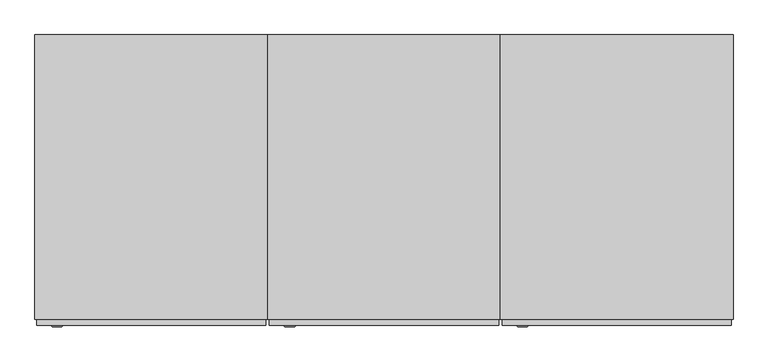
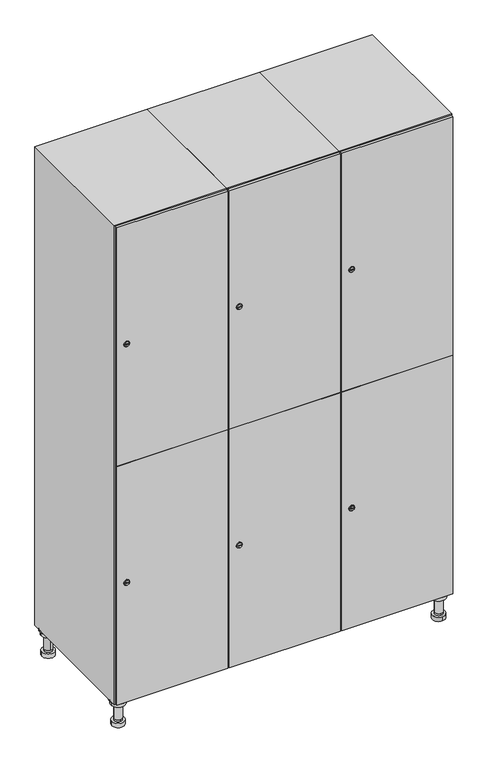
"""IFC4 building model written with IfcOpenShell, lengths in millimetres: furniture geometry."""

from ifc_helpers import new_model, si_unit, point, frame, frame_2d, origin, place, context, project, spatial, polyline, circle_curve, trimmed, segment, composite_curve, outline, extrude, faceted_brep, source, transform, mapped, element, save
from ifc_brep_helpers import plane_surface, cylinder_surface, revolved_surface, advanced_brep


def furniture_8d0bc17a(model_context):
    return source(origin(), model_context, "Body", "SolidModel", [
        advanced_brep(
        [(970.0, -201.0, 22.0), (970.0, -201.5, 16.0), (970.0, -228.5, 16.0), (970.0, -229.0, 22.0), (956.0, -215.0, 22.0), (984.0, -215.0, 22.0), (970.0, -192.5, 16.0), (970.0, -237.5, 16.0), (970.0, -192.5, 0.0), (970.0, -237.5, 0.0), (984.0, -215.0, 78.0), (956.0, -215.0, 78.0), (995.0, -215.0, 78.0), (945.0, -215.0, 78.0), (1000.0, -215.0, 94.0), (940.0, -215.0, 94.0), (945.0, -215.0, 94.0), (995.0, -215.0, 94.0), (1000.0, -215.0, 100.0), (940.0, -215.0, 100.0)],
        [
            (0, 1),
            (1, 2, circle_curve(frame((970.0, -215.0, 16.0), z_axis=(0.0, 0.0, 1.0), x_axis=(0.0, -1.0, 0.0)), 13.5)),
            (2, 3),
            (3, 4, circle_curve(frame((970.0, -215.0, 22.0), z_axis=(0.0, 0.0, -1.0), x_axis=(0.0, -1.0, 0.0)), 14.0)),
            (4, 0, circle_curve(frame((970.0, -215.0, 22.0), z_axis=(0.0, 0.0, -1.0), x_axis=(0.0, -1.0, 0.0)), 14.0)),
            (0, 5, circle_curve(frame((970.0, -215.0, 22.0), z_axis=(0.0, 0.0, -1.0), x_axis=(0.0, 1.0, 0.0)), 14.0)),
            (5, 3, circle_curve(frame((970.0, -215.0, 22.0), z_axis=(0.0, 0.0, -1.0), x_axis=(0.0, 1.0, 0.0)), 14.0)),
            (2, 1, circle_curve(frame((970.0, -215.0, 16.0), z_axis=(0.0, 0.0, 1.0), x_axis=(0.0, 1.0, 0.0)), 13.5)),
            (6, 7, circle_curve(frame((970.0, -215.0, 16.0), z_axis=(0.0, 0.0, 1.0), x_axis=(0.0, -1.0, 0.0)), 22.5)),
            (7, 6, circle_curve(frame((970.0, -215.0, 16.0), z_axis=(0.0, 0.0, 1.0), x_axis=(0.0, -1.0, 0.0)), 22.5)),
            (8, 9, circle_curve(frame((970.0, -215.0, 0.0), z_axis=(0.0, 0.0, -1.0), x_axis=(0.0, -1.0, 0.0)), 22.5)),
            (9, 8, circle_curve(frame((970.0, -215.0, 0.0), z_axis=(0.0, 0.0, -1.0), x_axis=(0.0, -1.0, 0.0)), 22.5)),
            (6, 8),
            (9, 7),
            (5, 10),
            (10, 11, circle_curve(frame((970.0, -215.0, 78.0), z_axis=(0.0, 0.0, -1.0), x_axis=(-1.0, 0.0, 0.0)), 14.0)),
            (11, 4),
            (11, 10, circle_curve(frame((970.0, -215.0, 78.0), z_axis=(0.0, 0.0, -1.0), x_axis=(-1.0, 0.0, 0.0)), 14.0)),
            (12, 13, circle_curve(frame((970.0, -215.0, 78.0), z_axis=(0.0, 0.0, -1.0), x_axis=(-1.0, 0.0, 0.0)), 25.0)),
            (13, 12, circle_curve(frame((970.0, -215.0, 78.0), z_axis=(0.0, 0.0, -1.0), x_axis=(-1.0, 0.0, 0.0)), 25.0)),
            (14, 15, circle_curve(frame((970.0, -215.0, 94.0), z_axis=(0.0, 0.0, -1.0), x_axis=(-1.0, 0.0, 0.0)), 30.0)),
            (15, 14, circle_curve(frame((970.0, -215.0, 94.0), z_axis=(0.0, 0.0, -1.0), x_axis=(-1.0, 0.0, 0.0)), 30.0)),
            (16, 17, circle_curve(frame((970.0, -215.0, 94.0), z_axis=(0.0, 0.0, 1.0), x_axis=(-1.0, 0.0, 0.0)), 25.0)),
            (17, 16, circle_curve(frame((970.0, -215.0, 94.0), z_axis=(0.0, 0.0, 1.0), x_axis=(-1.0, 0.0, 0.0)), 25.0)),
            (18, 19, circle_curve(frame((970.0, -215.0, 100.0), z_axis=(0.0, 0.0, 1.0), x_axis=(-1.0, 0.0, 0.0)), 30.0)),
            (19, 18, circle_curve(frame((970.0, -215.0, 100.0), z_axis=(0.0, 0.0, 1.0), x_axis=(-1.0, 0.0, 0.0)), 30.0)),
            (14, 18),
            (19, 15),
            (12, 17),
            (16, 13),
        ],
        [
            revolved_surface(polyline([(970.0, -201.5, 16.0), (970.0, -201.0, 22.0)]), (970.0, -215.0, -146.0), (0.0, 0.0, 1.0)),
            plane_surface(frame((970.0, 0.0, 16.0), z_axis=(0.0, 0.0, 1.0), x_axis=(0.0, -1.0, 0.0))),
            plane_surface(frame((970.0, 0.0, 0.0), z_axis=(0.0, 0.0, -1.0), x_axis=(0.0, -1.0, 0.0))),
            cylinder_surface(frame((970.0, -215.0, 16.0), z_axis=(0.0, 0.0, 1.0), x_axis=(0.0, -1.0, 0.0)), 22.5),
            cylinder_surface(frame((970.0, -215.0, 22.0), z_axis=(0.0, 0.0, -1.0), x_axis=(-1.0, 0.0, 0.0)), 14.0),
            plane_surface(frame((970.0, 0.0, 78.0), z_axis=(0.0, 0.0, -1.0), x_axis=(0.0, -1.0, 0.0))),
            plane_surface(frame((970.0, 0.0, 94.0), z_axis=(0.0, 0.0, -1.0), x_axis=(0.0, -1.0, 0.0))),
            plane_surface(frame((970.0, 0.0, 100.0), z_axis=(0.0, 0.0, 1.0), x_axis=(0.0, -1.0, 0.0))),
            cylinder_surface(frame((970.0, -215.0, 94.0), z_axis=(0.0, 0.0, -1.0), x_axis=(-1.0, 0.0, 0.0)), 30.0),
            cylinder_surface(frame((970.0, -215.0, 78.0), z_axis=(0.0, 0.0, -1.0), x_axis=(-1.0, 0.0, 0.0)), 25.0),
        ],
        [
            (0, [[1, 2, 3, 4, 5]]),
            (0, [[-1, 6, 7, -3, 8]]),
            (1, [[9, 10], [-2, -8]]),
            (2, [[11, 12]]),
            (3, [[-9, 13, -12, 14]]),
            (3, [[-10, -14, -11, -13]]),
            (4, [[15, 16, 17, -4, -7]]),
            (4, [[-15, -6, -5, -17, 18]]),
            (5, [[19, 20], [-16, -18]]),
            (6, [[21, 22], [23, 24]]),
            (7, [[25, 26]]),
            (8, [[-21, 27, -26, 28]]),
            (8, [[-22, -28, -25, -27]]),
            (9, [[-19, 29, -23, 30]]),
            (9, [[-20, -30, -24, -29]]),
        ],
    ),
        advanced_brep(
        [(-170.0, -201.0, 22.0), (-170.0, -201.5, 16.0), (-170.0, -228.5, 16.0), (-170.0, -229.0, 22.0), (-184.0, -215.0, 22.0), (-156.0, -215.0, 22.0), (-147.5, -215.0, 0.0), (-192.5, -215.0, 0.0), (-147.5, -215.0, 16.0), (-192.5, -215.0, 16.0), (-156.0, -215.0, 78.0), (-184.0, -215.0, 78.0), (-145.0, -215.0, 78.0), (-195.0, -215.0, 78.0), (-140.0, -215.0, 94.0), (-200.0, -215.0, 94.0), (-195.0, -215.0, 94.0), (-145.0, -215.0, 94.0), (-140.0, -215.0, 100.0), (-200.0, -215.0, 100.0)],
        [
            (0, 1),
            (1, 2, circle_curve(frame((-170.0, -215.0, 16.0), z_axis=(0.0, 0.0, 1.0), x_axis=(0.0, -1.0, 0.0)), 13.5)),
            (2, 3),
            (3, 4, circle_curve(frame((-170.0, -215.0, 22.0), z_axis=(0.0, 0.0, -1.0), x_axis=(0.0, -1.0, 0.0)), 14.0)),
            (4, 0, circle_curve(frame((-170.0, -215.0, 22.0), z_axis=(0.0, 0.0, -1.0), x_axis=(0.0, -1.0, 0.0)), 14.0)),
            (0, 5, circle_curve(frame((-170.0, -215.0, 22.0), z_axis=(0.0, 0.0, -1.0), x_axis=(0.0, 1.0, 0.0)), 14.0)),
            (5, 3, circle_curve(frame((-170.0, -215.0, 22.0), z_axis=(0.0, 0.0, -1.0), x_axis=(0.0, 1.0, 0.0)), 14.0)),
            (2, 1, circle_curve(frame((-170.0, -215.0, 16.0), z_axis=(0.0, 0.0, 1.0), x_axis=(0.0, 1.0, 0.0)), 13.5)),
            (6, 7, circle_curve(frame((-170.0, -215.0, 0.0), z_axis=(0.0, 0.0, -1.0), x_axis=(-1.0, 0.0, 0.0)), 22.5)),
            (7, 6, circle_curve(frame((-170.0, -215.0, 0.0), z_axis=(0.0, 0.0, -1.0), x_axis=(-1.0, 0.0, 0.0)), 22.5)),
            (8, 9, circle_curve(frame((-170.0, -215.0, 16.0), z_axis=(0.0, 0.0, 1.0), x_axis=(-1.0, 0.0, 0.0)), 22.5)),
            (9, 8, circle_curve(frame((-170.0, -215.0, 16.0), z_axis=(0.0, 0.0, 1.0), x_axis=(-1.0, 0.0, 0.0)), 22.5)),
            (6, 8),
            (9, 7),
            (5, 10),
            (10, 11, circle_curve(frame((-170.0, -215.0, 78.0), z_axis=(0.0, 0.0, -1.0), x_axis=(-1.0, 0.0, 0.0)), 14.0)),
            (11, 4),
            (11, 10, circle_curve(frame((-170.0, -215.0, 78.0), z_axis=(0.0, 0.0, -1.0), x_axis=(-1.0, 0.0, 0.0)), 14.0)),
            (12, 13, circle_curve(frame((-170.0, -215.0, 78.0), z_axis=(0.0, 0.0, -1.0), x_axis=(-1.0, 0.0, 0.0)), 25.0)),
            (13, 12, circle_curve(frame((-170.0, -215.0, 78.0), z_axis=(0.0, 0.0, -1.0), x_axis=(-1.0, 0.0, 0.0)), 25.0)),
            (14, 15, circle_curve(frame((-170.0, -215.0, 94.0), z_axis=(0.0, 0.0, -1.0), x_axis=(-1.0, 0.0, 0.0)), 30.0)),
            (15, 14, circle_curve(frame((-170.0, -215.0, 94.0), z_axis=(0.0, 0.0, -1.0), x_axis=(-1.0, 0.0, 0.0)), 30.0)),
            (16, 17, circle_curve(frame((-170.0, -215.0, 94.0), z_axis=(0.0, 0.0, 1.0), x_axis=(-1.0, 0.0, 0.0)), 25.0)),
            (17, 16, circle_curve(frame((-170.0, -215.0, 94.0), z_axis=(0.0, 0.0, 1.0), x_axis=(-1.0, 0.0, 0.0)), 25.0)),
            (18, 19, circle_curve(frame((-170.0, -215.0, 100.0), z_axis=(0.0, 0.0, 1.0), x_axis=(-1.0, 0.0, 0.0)), 30.0)),
            (19, 18, circle_curve(frame((-170.0, -215.0, 100.0), z_axis=(0.0, 0.0, 1.0), x_axis=(-1.0, 0.0, 0.0)), 30.0)),
            (14, 18),
            (19, 15),
            (12, 17),
            (16, 13),
        ],
        [
            revolved_surface(polyline([(-170.0, -201.5, 16.0), (-170.0, -201.0, 22.0)]), (-170.0, -215.0, -146.0), (0.0, 0.0, 1.0)),
            plane_surface(frame((-170.0, 0.0, 0.0), z_axis=(0.0, 0.0, -1.0), x_axis=(0.0, -1.0, 0.0))),
            plane_surface(frame((-170.0, 0.0, 16.0), z_axis=(0.0, 0.0, 1.0), x_axis=(0.0, -1.0, 0.0))),
            cylinder_surface(frame((-170.0, -215.0, 0.0), z_axis=(0.0, 0.0, -1.0), x_axis=(-1.0, 0.0, 0.0)), 22.5),
            cylinder_surface(frame((-170.0, -215.0, 22.0), z_axis=(0.0, 0.0, -1.0), x_axis=(-1.0, 0.0, 0.0)), 14.0),
            plane_surface(frame((-170.0, 0.0, 78.0), z_axis=(0.0, 0.0, -1.0), x_axis=(0.0, -1.0, 0.0))),
            plane_surface(frame((-170.0, 0.0, 94.0), z_axis=(0.0, 0.0, -1.0), x_axis=(0.0, -1.0, 0.0))),
            plane_surface(frame((-170.0, 0.0, 100.0), z_axis=(0.0, 0.0, 1.0), x_axis=(0.0, -1.0, 0.0))),
            cylinder_surface(frame((-170.0, -215.0, 94.0), z_axis=(0.0, 0.0, -1.0), x_axis=(-1.0, 0.0, 0.0)), 30.0),
            cylinder_surface(frame((-170.0, -215.0, 78.0), z_axis=(0.0, 0.0, -1.0), x_axis=(-1.0, 0.0, 0.0)), 25.0),
        ],
        [
            (0, [[1, 2, 3, 4, 5]]),
            (0, [[-1, 6, 7, -3, 8]]),
            (1, [[9, 10]]),
            (2, [[11, 12], [-2, -8]]),
            (3, [[-9, 13, -12, 14]]),
            (3, [[-10, -14, -11, -13]]),
            (4, [[15, 16, 17, -4, -7]]),
            (4, [[-15, -6, -5, -17, 18]]),
            (5, [[19, 20], [-16, -18]]),
            (6, [[21, 22], [23, 24]]),
            (7, [[25, 26]]),
            (8, [[-21, 27, -26, 28]]),
            (8, [[-22, -28, -25, -27]]),
            (9, [[-19, 29, -23, 30]]),
            (9, [[-20, -30, -24, -29]]),
        ],
    ),
        advanced_brep(
        [(983.5, 215.0, 16.0), (984.0, 215.0, 22.0), (956.0, 215.0, 22.0), (956.5, 215.0, 16.0), (992.5, 215.0, 0.0), (947.5, 215.0, 0.0), (992.5, 215.0, 16.0), (947.5, 215.0, 16.0), (984.0, 215.0, 78.0), (956.0, 215.0, 78.0), (995.0, 215.0, 78.0), (945.0, 215.0, 78.0), (1000.0, 215.0, 94.0), (940.0, 215.0, 94.0), (945.0, 215.0, 94.0), (995.0, 215.0, 94.0), (1000.0, 215.0, 100.0), (940.0, 215.0, 100.0)],
        [
            (0, 1),
            (1, 2, circle_curve(frame((970.0, 215.0, 22.0), z_axis=(0.0, 0.0, -1.0), x_axis=(-1.0, 0.0, 0.0)), 14.0)),
            (2, 3),
            (3, 0, circle_curve(frame((970.0, 215.0, 16.0), z_axis=(0.0, 0.0, 1.0), x_axis=(-1.0, 0.0, 0.0)), 13.5)),
            (0, 3, circle_curve(frame((970.0, 215.0, 16.0), z_axis=(0.0, 0.0, 1.0), x_axis=(1.0, 0.0, 0.0)), 13.5)),
            (2, 1, circle_curve(frame((970.0, 215.0, 22.0), z_axis=(0.0, 0.0, -1.0), x_axis=(1.0, 0.0, 0.0)), 14.0)),
            (4, 5, circle_curve(frame((970.0, 215.0, 0.0), z_axis=(0.0, 0.0, -1.0), x_axis=(-1.0, 0.0, 0.0)), 22.5)),
            (5, 4, circle_curve(frame((970.0, 215.0, 0.0), z_axis=(0.0, 0.0, -1.0), x_axis=(-1.0, 0.0, 0.0)), 22.5)),
            (6, 7, circle_curve(frame((970.0, 215.0, 16.0), z_axis=(0.0, 0.0, 1.0), x_axis=(-1.0, 0.0, 0.0)), 22.5)),
            (7, 6, circle_curve(frame((970.0, 215.0, 16.0), z_axis=(0.0, 0.0, 1.0), x_axis=(-1.0, 0.0, 0.0)), 22.5)),
            (4, 6),
            (7, 5),
            (1, 8),
            (8, 9, circle_curve(frame((970.0, 215.0, 78.0), z_axis=(0.0, 0.0, -1.0), x_axis=(-1.0, 0.0, 0.0)), 14.0)),
            (9, 2),
            (9, 8, circle_curve(frame((970.0, 215.0, 78.0), z_axis=(0.0, 0.0, -1.0), x_axis=(-1.0, 0.0, 0.0)), 14.0)),
            (10, 11, circle_curve(frame((970.0, 215.0, 78.0), z_axis=(0.0, 0.0, -1.0), x_axis=(-1.0, 0.0, 0.0)), 25.0)),
            (11, 10, circle_curve(frame((970.0, 215.0, 78.0), z_axis=(0.0, 0.0, -1.0), x_axis=(-1.0, 0.0, 0.0)), 25.0)),
            (12, 13, circle_curve(frame((970.0, 215.0, 94.0), z_axis=(0.0, 0.0, -1.0), x_axis=(-1.0, 0.0, 0.0)), 30.0)),
            (13, 12, circle_curve(frame((970.0, 215.0, 94.0), z_axis=(0.0, 0.0, -1.0), x_axis=(-1.0, 0.0, 0.0)), 30.0)),
            (14, 15, circle_curve(frame((970.0, 215.0, 94.0), z_axis=(0.0, 0.0, 1.0), x_axis=(-1.0, 0.0, 0.0)), 25.0)),
            (15, 14, circle_curve(frame((970.0, 215.0, 94.0), z_axis=(0.0, 0.0, 1.0), x_axis=(-1.0, 0.0, 0.0)), 25.0)),
            (16, 17, circle_curve(frame((970.0, 215.0, 100.0), z_axis=(0.0, 0.0, 1.0), x_axis=(-1.0, 0.0, 0.0)), 30.0)),
            (17, 16, circle_curve(frame((970.0, 215.0, 100.0), z_axis=(0.0, 0.0, 1.0), x_axis=(-1.0, 0.0, 0.0)), 30.0)),
            (12, 16),
            (17, 13),
            (10, 15),
            (14, 11),
        ],
        [
            revolved_surface(polyline([(983.5, 215.0, 16.0), (984.0, 215.0, 22.0)]), (970.0, 215.0, -146.0), (0.0, 0.0, 1.0)),
            plane_surface(frame((970.0, 0.0, 0.0), z_axis=(0.0, 0.0, -1.0), x_axis=(0.0, -1.0, 0.0))),
            plane_surface(frame((970.0, 0.0, 16.0), z_axis=(0.0, 0.0, 1.0), x_axis=(0.0, -1.0, 0.0))),
            cylinder_surface(frame((970.0, 215.0, 0.0), z_axis=(0.0, 0.0, -1.0), x_axis=(-1.0, 0.0, 0.0)), 22.5),
            cylinder_surface(frame((970.0, 215.0, 22.0), z_axis=(0.0, 0.0, -1.0), x_axis=(-1.0, 0.0, 0.0)), 14.0),
            plane_surface(frame((970.0, 0.0, 78.0), z_axis=(0.0, 0.0, -1.0), x_axis=(0.0, -1.0, 0.0))),
            plane_surface(frame((970.0, 0.0, 94.0), z_axis=(0.0, 0.0, -1.0), x_axis=(0.0, -1.0, 0.0))),
            plane_surface(frame((970.0, 0.0, 100.0), z_axis=(0.0, 0.0, 1.0), x_axis=(0.0, -1.0, 0.0))),
            cylinder_surface(frame((970.0, 215.0, 94.0), z_axis=(0.0, 0.0, -1.0), x_axis=(-1.0, 0.0, 0.0)), 30.0),
            cylinder_surface(frame((970.0, 215.0, 78.0), z_axis=(0.0, 0.0, -1.0), x_axis=(-1.0, 0.0, 0.0)), 25.0),
        ],
        [
            (0, [[1, 2, 3, 4]]),
            (0, [[-1, 5, -3, 6]]),
            (1, [[7, 8]]),
            (2, [[9, 10], [-4, -5]]),
            (3, [[-7, 11, -10, 12]]),
            (3, [[-8, -12, -9, -11]]),
            (4, [[13, 14, 15, -2]]),
            (4, [[-13, -6, -15, 16]]),
            (5, [[17, 18], [-14, -16]]),
            (6, [[19, 20], [21, 22]]),
            (7, [[23, 24]]),
            (8, [[-19, 25, -24, 26]]),
            (8, [[-20, -26, -23, -25]]),
            (9, [[-17, 27, -21, 28]]),
            (9, [[-18, -28, -22, -27]]),
        ],
    ),
        advanced_brep(
        [(-156.5, 215.0, 16.0), (-156.0, 215.0, 22.0), (-170.0, 201.0, 22.0), (-184.0, 215.0, 22.0), (-183.5, 215.0, 16.0), (-170.0, 229.0, 22.0), (-147.5, 215.0, 0.0), (-192.5, 215.0, 0.0), (-147.5, 215.0, 16.0), (-192.5, 215.0, 16.0), (-170.0, 229.0, 78.0), (-170.0, 201.0, 78.0), (-145.0, 215.0, 78.0), (-195.0, 215.0, 78.0), (-140.0, 215.0, 94.0), (-200.0, 215.0, 94.0), (-195.0, 215.0, 94.0), (-145.0, 215.0, 94.0), (-140.0, 215.0, 100.0), (-200.0, 215.0, 100.0)],
        [
            (0, 1),
            (1, 2, circle_curve(frame((-170.0, 215.0, 22.0), z_axis=(0.0, 0.0, -1.0), x_axis=(-1.0, 0.0, 0.0)), 14.0)),
            (2, 3, circle_curve(frame((-170.0, 215.0, 22.0), z_axis=(0.0, 0.0, -1.0), x_axis=(-1.0, 0.0, 0.0)), 14.0)),
            (3, 4),
            (4, 0, circle_curve(frame((-170.0, 215.0, 16.0), z_axis=(0.0, 0.0, 1.0), x_axis=(-1.0, 0.0, 0.0)), 13.5)),
            (0, 4, circle_curve(frame((-170.0, 215.0, 16.0), z_axis=(0.0, 0.0, 1.0), x_axis=(1.0, 0.0, 0.0)), 13.5)),
            (3, 5, circle_curve(frame((-170.0, 215.0, 22.0), z_axis=(0.0, 0.0, -1.0), x_axis=(1.0, 0.0, 0.0)), 14.0)),
            (5, 1, circle_curve(frame((-170.0, 215.0, 22.0), z_axis=(0.0, 0.0, -1.0), x_axis=(1.0, 0.0, 0.0)), 14.0)),
            (6, 7, circle_curve(frame((-170.0, 215.0, 0.0), z_axis=(0.0, 0.0, -1.0), x_axis=(-1.0, 0.0, 0.0)), 22.5)),
            (7, 6, circle_curve(frame((-170.0, 215.0, 0.0), z_axis=(0.0, 0.0, -1.0), x_axis=(-1.0, 0.0, 0.0)), 22.5)),
            (8, 9, circle_curve(frame((-170.0, 215.0, 16.0), z_axis=(0.0, 0.0, 1.0), x_axis=(-1.0, 0.0, 0.0)), 22.5)),
            (9, 8, circle_curve(frame((-170.0, 215.0, 16.0), z_axis=(0.0, 0.0, 1.0), x_axis=(-1.0, 0.0, 0.0)), 22.5)),
            (6, 8),
            (9, 7),
            (10, 5),
            (2, 11),
            (11, 10, circle_curve(frame((-170.0, 215.0, 78.0), z_axis=(0.0, 0.0, -1.0), x_axis=(0.0, -1.0, 0.0)), 14.0)),
            (10, 11, circle_curve(frame((-170.0, 215.0, 78.0), z_axis=(0.0, 0.0, -1.0), x_axis=(0.0, -1.0, 0.0)), 14.0)),
            (12, 13, circle_curve(frame((-170.0, 215.0, 78.0), z_axis=(0.0, 0.0, -1.0), x_axis=(-1.0, 0.0, 0.0)), 25.0)),
            (13, 12, circle_curve(frame((-170.0, 215.0, 78.0), z_axis=(0.0, 0.0, -1.0), x_axis=(-1.0, 0.0, 0.0)), 25.0)),
            (14, 15, circle_curve(frame((-170.0, 215.0, 94.0), z_axis=(0.0, 0.0, -1.0), x_axis=(-1.0, 0.0, 0.0)), 30.0)),
            (15, 14, circle_curve(frame((-170.0, 215.0, 94.0), z_axis=(0.0, 0.0, -1.0), x_axis=(-1.0, 0.0, 0.0)), 30.0)),
            (16, 17, circle_curve(frame((-170.0, 215.0, 94.0), z_axis=(0.0, 0.0, 1.0), x_axis=(-1.0, 0.0, 0.0)), 25.0)),
            (17, 16, circle_curve(frame((-170.0, 215.0, 94.0), z_axis=(0.0, 0.0, 1.0), x_axis=(-1.0, 0.0, 0.0)), 25.0)),
            (18, 19, circle_curve(frame((-170.0, 215.0, 100.0), z_axis=(0.0, 0.0, 1.0), x_axis=(-1.0, 0.0, 0.0)), 30.0)),
            (19, 18, circle_curve(frame((-170.0, 215.0, 100.0), z_axis=(0.0, 0.0, 1.0), x_axis=(-1.0, 0.0, 0.0)), 30.0)),
            (14, 18),
            (19, 15),
            (12, 17),
            (16, 13),
        ],
        [
            revolved_surface(polyline([(-156.5, 215.0, 16.0), (-156.0, 215.0, 22.0)]), (-170.0, 215.0, -146.0), (0.0, 0.0, 1.0)),
            plane_surface(frame((-170.0, 0.0, 0.0), z_axis=(0.0, 0.0, -1.0), x_axis=(0.0, -1.0, 0.0))),
            plane_surface(frame((-170.0, 0.0, 16.0), z_axis=(0.0, 0.0, 1.0), x_axis=(0.0, -1.0, 0.0))),
            cylinder_surface(frame((-170.0, 215.0, 0.0), z_axis=(0.0, 0.0, -1.0), x_axis=(-1.0, 0.0, 0.0)), 22.5),
            cylinder_surface(frame((-170.0, 215.0, 78.0), z_axis=(0.0, 0.0, 1.0), x_axis=(0.0, -1.0, 0.0)), 14.0),
            plane_surface(frame((-170.0, 0.0, 78.0), z_axis=(0.0, 0.0, -1.0), x_axis=(0.0, -1.0, 0.0))),
            plane_surface(frame((-170.0, 0.0, 94.0), z_axis=(0.0, 0.0, -1.0), x_axis=(0.0, -1.0, 0.0))),
            plane_surface(frame((-170.0, 0.0, 100.0), z_axis=(0.0, 0.0, 1.0), x_axis=(0.0, -1.0, 0.0))),
            cylinder_surface(frame((-170.0, 215.0, 94.0), z_axis=(0.0, 0.0, -1.0), x_axis=(-1.0, 0.0, 0.0)), 30.0),
            cylinder_surface(frame((-170.0, 215.0, 78.0), z_axis=(0.0, 0.0, -1.0), x_axis=(-1.0, 0.0, 0.0)), 25.0),
        ],
        [
            (0, [[1, 2, 3, 4, 5]]),
            (0, [[-1, 6, -4, 7, 8]]),
            (1, [[9, 10]]),
            (2, [[11, 12], [-5, -6]]),
            (3, [[-9, 13, -12, 14]]),
            (3, [[-10, -14, -11, -13]]),
            (4, [[15, -7, -3, 16, 17]]),
            (4, [[-15, 18, -16, -2, -8]]),
            (5, [[19, 20], [-17, -18]]),
            (6, [[21, 22], [23, 24]]),
            (7, [[25, 26]]),
            (8, [[-21, 27, -26, 28]]),
            (8, [[-22, -28, -25, -27]]),
            (9, [[-19, 29, -23, 30]]),
            (9, [[-20, -30, -24, -29]]),
        ],
    ),
        extrude(outline(composite_curve([segment(trimmed(circle_curve(frame_2d((551.5, 611.2010534)), 7.0), [point((558.5, 611.2010534))], [point((544.5, 611.2010534))], False, "CARTESIAN"), True, "CONTINUOUS"), segment(polyline([(544.5, 611.2010534), (544.5, 639.2010534)]), True, "CONTINUOUS"), segment(trimmed(circle_curve(frame_2d((551.5, 639.2010534)), 7.0), [point((544.5, 639.2010534))], [point((558.5, 639.2010534))], False, "CARTESIAN"), True, "CONTINUOUS"), segment(polyline([(558.5, 639.2010534), (558.5, 611.2010534)]), True, "CONTINUOUS")], self_intersect=False)), frame((0.0, -245.0, 0.0), z_axis=(0.0, 1.0, 0.0), x_axis=(0.0, 0.0, 1.0)), (0.0, 0.0, 1.0), 2.0),
        advanced_brep(
        [(646.5, -257.2, 551.5), (629.5, -257.2, 551.5), (633.0, -257.2, 550.25), (633.0, -257.2, 552.75), (643.0, -257.2, 552.75), (643.0, -257.2, 550.25), (648.5, -255.0, 551.5), (627.5, -255.0, 551.5), (633.0, -255.0, 552.75), (633.0, -255.0, 550.25), (643.0, -255.0, 550.25), (643.0, -255.0, 552.75)],
        [
            (0, 1, circle_curve(frame((638.0, -257.2, 551.5), z_axis=(0.0, -1.0, 0.0), x_axis=(1.0, 0.0, 0.0)), 8.5)),
            (1, 0, circle_curve(frame((638.0, -257.2, 551.5), z_axis=(0.0, -1.0, 0.0), x_axis=(-1.0, 0.0, 0.0)), 8.5)),
            (2, 3),
            (3, 4),
            (4, 5),
            (5, 2),
            (6, 7, circle_curve(frame((638.0, -255.0, 551.5), z_axis=(0.0, 1.0, 0.0), x_axis=(-1.0, 0.0, 0.0)), 10.5)),
            (7, 6, circle_curve(frame((638.0, -255.0, 551.5), z_axis=(0.0, 1.0, 0.0), x_axis=(1.0, 0.0, 0.0)), 10.5)),
            (8, 9),
            (9, 10),
            (10, 11),
            (11, 8),
            (0, 6),
            (7, 1),
            (8, 3),
            (2, 9),
            (11, 4),
            (10, 5),
        ],
        [
            plane_surface(frame((638.0, -257.2, 551.5), z_axis=(0.0, -1.0, 0.0), x_axis=(0.0, 0.0, 1.0))),
            plane_surface(frame((638.0, -255.0, 551.5), z_axis=(0.0, 1.0, 0.0), x_axis=(0.0, 0.0, 1.0))),
            revolved_surface(polyline([(646.5, -257.2, 551.5), (648.5, -255.0, 551.5)]), (638.0, -266.55, 551.5), (0.0, 1.0, 0.0)),
            revolved_surface(polyline([(629.5, -257.2, 551.5), (627.5, -255.0, 551.5)]), (638.0, -266.55, 551.5), (0.0, 1.0, 0.0)),
            plane_surface(frame((633.0, -255.0, 550.25), z_axis=(1.0, 0.0, 0.0), x_axis=(0.0, -1.0, 0.0))),
            plane_surface(frame((633.0, -255.0, 552.75), z_axis=(0.0, 0.0, -1.0), x_axis=(0.0, -1.0, 0.0))),
            plane_surface(frame((643.0, -255.0, 552.75), z_axis=(-1.0, 0.0, 0.0), x_axis=(0.0, -1.0, 0.0))),
            plane_surface(frame((643.0, -255.0, 550.25), z_axis=(0.0, 0.0, 1.0), x_axis=(0.0, -1.0, 0.0))),
        ],
        [
            (0, [[1, 2], [3, 4, 5, 6]]),
            (1, [[7, 8], [9, 10, 11, 12]]),
            (2, [[-1, 13, -8, 14]]),
            (3, [[-2, -14, -7, -13]]),
            (4, [[15, -3, 16, -9]]),
            (5, [[-15, -12, 17, -4]]),
            (6, [[-17, -11, 18, -5]]),
            (7, [[-16, -6, -18, -10]]),
        ],
    ),
        extrude(outline(composite_curve([segment(trimmed(circle_curve(frame_2d((1448.5, 611.2010534)), 7.0), [point((1455.5, 611.2010534))], [point((1441.5, 611.2010534))], False, "CARTESIAN"), True, "CONTINUOUS"), segment(polyline([(1441.5, 611.2010534), (1441.5, 639.2010534)]), True, "CONTINUOUS"), segment(trimmed(circle_curve(frame_2d((1448.5, 639.2010534)), 7.0), [point((1441.5, 639.2010534))], [point((1455.5, 639.2010534))], False, "CARTESIAN"), True, "CONTINUOUS"), segment(polyline([(1455.5, 639.2010534), (1455.5, 611.2010534)]), True, "CONTINUOUS")], self_intersect=False)), frame((0.0, -245.0, 0.0), z_axis=(0.0, 1.0, 0.0), x_axis=(0.0, 0.0, 1.0)), (0.0, 0.0, 1.0), 2.0),
        advanced_brep(
        [(646.5, -257.2, 1448.5), (629.5, -257.2, 1448.5), (633.0, -257.2, 1447.25), (633.0, -257.2, 1449.75), (643.0, -257.2, 1449.75), (643.0, -257.2, 1447.25), (648.5, -255.0, 1448.5), (627.5, -255.0, 1448.5), (633.0, -255.0, 1449.75), (633.0, -255.0, 1447.25), (643.0, -255.0, 1447.25), (643.0, -255.0, 1449.75)],
        [
            (0, 1, circle_curve(frame((638.0, -257.2, 1448.5), z_axis=(0.0, -1.0, 0.0), x_axis=(1.0, 0.0, 0.0)), 8.5)),
            (1, 0, circle_curve(frame((638.0, -257.2, 1448.5), z_axis=(0.0, -1.0, 0.0), x_axis=(-1.0, 0.0, 0.0)), 8.5)),
            (2, 3),
            (3, 4),
            (4, 5),
            (5, 2),
            (6, 7, circle_curve(frame((638.0, -255.0, 1448.5), z_axis=(0.0, 1.0, 0.0), x_axis=(-1.0, 0.0, 0.0)), 10.5)),
            (7, 6, circle_curve(frame((638.0, -255.0, 1448.5), z_axis=(0.0, 1.0, 0.0), x_axis=(1.0, 0.0, 0.0)), 10.5)),
            (8, 9),
            (9, 10),
            (10, 11),
            (11, 8),
            (0, 6),
            (7, 1),
            (8, 3),
            (2, 9),
            (11, 4),
            (10, 5),
        ],
        [
            plane_surface(frame((638.0, -257.2, 1448.5), z_axis=(0.0, -1.0, 0.0), x_axis=(0.0, 0.0, 1.0))),
            plane_surface(frame((638.0, -255.0, 1448.5), z_axis=(0.0, 1.0, 0.0), x_axis=(0.0, 0.0, 1.0))),
            revolved_surface(polyline([(646.5, -257.2, 1448.5), (648.5, -255.0, 1448.5)]), (638.0, -266.55, 1448.5), (0.0, 1.0, 0.0)),
            revolved_surface(polyline([(629.5, -257.2, 1448.5), (627.5, -255.0, 1448.5)]), (638.0, -266.55, 1448.5), (0.0, 1.0, 0.0)),
            plane_surface(frame((633.0, -255.0, 1447.25), z_axis=(1.0, 0.0, 0.0), x_axis=(0.0, -1.0, 0.0))),
            plane_surface(frame((633.0, -255.0, 1449.75), z_axis=(0.0, 0.0, -1.0), x_axis=(0.0, -1.0, 0.0))),
            plane_surface(frame((643.0, -255.0, 1449.75), z_axis=(-1.0, 0.0, 0.0), x_axis=(0.0, -1.0, 0.0))),
            plane_surface(frame((643.0, -255.0, 1447.25), z_axis=(0.0, 0.0, 1.0), x_axis=(0.0, -1.0, 0.0))),
        ],
        [
            (0, [[1, 2], [3, 4, 5, 6]]),
            (1, [[7, 8], [9, 10, 11, 12]]),
            (2, [[-1, 13, -8, 14]]),
            (3, [[-2, -14, -7, -13]]),
            (4, [[15, -3, 16, -9]]),
            (5, [[-15, -12, 17, -4]]),
            (6, [[-17, -11, 18, -5]]),
            (7, [[-16, -6, -18, -10]]),
        ],
    ),
        extrude(outline(polyline([(603.0, -255.0), (603.0, -245.0), (997.0, -245.0), (997.0, -255.0), (603.0, -255.0)])), frame((0.0, 0.0, 103.0), z_axis=(0.0, 0.0, 1.0), x_axis=(1.0, 0.0, 0.0)), (0.0, 0.0, 1.0), 896.5),
        extrude(outline(polyline([(997.0, -245.0), (997.0, -255.0), (603.0, -255.0), (603.0, -245.0), (997.0, -245.0)])), frame((0.0, 0.0, 1000.5), z_axis=(0.0, 0.0, 1.0), x_axis=(1.0, 0.0, 0.0)), (0.0, 0.0, 1.0), 896.5),
        extrude(outline(polyline([(990.0, 241.0), (990.0, -235.0), (610.0, -235.0), (610.0, 241.0), (990.0, 241.0)])), frame((0.0, 0.0, 995.0), z_axis=(0.0, 0.0, 1.0), x_axis=(1.0, 0.0, 0.0)), (0.0, 0.0, 1.0), 10.0),
        faceted_brep([(1000.0, -245.0, 100.0), (1000.0, -245.0, 1900.0), (600.0, -245.0, 1900.0), (600.0, -245.0, 100.0), (990.0, -245.0, 1890.0), (990.0, -245.0, 110.0), (610.0, -245.0, 110.0), (610.0, -245.0, 1890.0), (1000.0, 245.0, 100.0), (600.0, 245.0, 100.0), (1000.0, 245.0, 1900.0), (600.0, 245.0, 1900.0), (990.0, 241.0, 1890.0), (990.0, 241.0, 110.0), (600.0, 245.0, 1890.0), (610.0, 241.0, 1890.0), (610.0, 241.0, 110.0)], [[[0, 1, 2, 3], [4, 5, 6, 7]], [[8, 0, 3, 9]], [[1, 0, 8, 10]], [[1, 10, 11, 2]], [[4, 12, 13, 5]], [[9, 3, 2, 11, 14]], [[10, 8, 9, 14, 11]], [[12, 15, 16, 13]], [[15, 7, 6, 16]], [[4, 7, 15, 12]], [[6, 5, 13, 16]]]),
        extrude(outline(composite_curve([segment(trimmed(circle_curve(frame_2d((551.5, 211.2010534)), 7.0), [point((558.5, 211.2010534))], [point((544.5, 211.2010534))], False, "CARTESIAN"), True, "CONTINUOUS"), segment(polyline([(544.5, 211.2010534), (544.5, 239.2010534)]), True, "CONTINUOUS"), segment(trimmed(circle_curve(frame_2d((551.5, 239.2010534)), 7.0), [point((544.5, 239.2010534))], [point((558.5, 239.2010534))], False, "CARTESIAN"), True, "CONTINUOUS"), segment(polyline([(558.5, 239.2010534), (558.5, 211.2010534)]), True, "CONTINUOUS")], self_intersect=False)), frame((0.0, -245.0, 0.0), z_axis=(0.0, 1.0, 0.0), x_axis=(0.0, 0.0, 1.0)), (0.0, 0.0, 1.0), 2.0),
        advanced_brep(
        [(246.5, -257.2, 551.5), (229.5, -257.2, 551.5), (233.0, -257.2, 550.25), (233.0, -257.2, 552.75), (243.0, -257.2, 552.75), (243.0, -257.2, 550.25), (248.5, -255.0, 551.5), (227.5, -255.0, 551.5), (233.0, -255.0, 552.75), (233.0, -255.0, 550.25), (243.0, -255.0, 550.25), (243.0, -255.0, 552.75)],
        [
            (0, 1, circle_curve(frame((238.0, -257.2, 551.5), z_axis=(0.0, -1.0, 0.0), x_axis=(1.0, 0.0, 0.0)), 8.5)),
            (1, 0, circle_curve(frame((238.0, -257.2, 551.5), z_axis=(0.0, -1.0, 0.0), x_axis=(-1.0, 0.0, 0.0)), 8.5)),
            (2, 3),
            (3, 4),
            (4, 5),
            (5, 2),
            (6, 7, circle_curve(frame((238.0, -255.0, 551.5), z_axis=(0.0, 1.0, 0.0), x_axis=(-1.0, 0.0, 0.0)), 10.5)),
            (7, 6, circle_curve(frame((238.0, -255.0, 551.5), z_axis=(0.0, 1.0, 0.0), x_axis=(1.0, 0.0, 0.0)), 10.5)),
            (8, 9),
            (9, 10),
            (10, 11),
            (11, 8),
            (0, 6),
            (7, 1),
            (8, 3),
            (2, 9),
            (11, 4),
            (10, 5),
        ],
        [
            plane_surface(frame((238.0, -257.2, 551.5), z_axis=(0.0, -1.0, 0.0), x_axis=(0.0, 0.0, 1.0))),
            plane_surface(frame((238.0, -255.0, 551.5), z_axis=(0.0, 1.0, 0.0), x_axis=(0.0, 0.0, 1.0))),
            revolved_surface(polyline([(246.5, -257.2, 551.5), (248.5, -255.0, 551.5)]), (238.0, -266.55, 551.5), (0.0, 1.0, 0.0)),
            revolved_surface(polyline([(229.5, -257.2, 551.5), (227.5, -255.0, 551.5)]), (238.0, -266.55, 551.5), (0.0, 1.0, 0.0)),
            plane_surface(frame((233.0, -255.0, 550.25), z_axis=(1.0, 0.0, 0.0), x_axis=(0.0, -1.0, 0.0))),
            plane_surface(frame((233.0, -255.0, 552.75), z_axis=(0.0, 0.0, -1.0), x_axis=(0.0, -1.0, 0.0))),
            plane_surface(frame((243.0, -255.0, 552.75), z_axis=(-1.0, 0.0, 0.0), x_axis=(0.0, -1.0, 0.0))),
            plane_surface(frame((243.0, -255.0, 550.25), z_axis=(0.0, 0.0, 1.0), x_axis=(0.0, -1.0, 0.0))),
        ],
        [
            (0, [[1, 2], [3, 4, 5, 6]]),
            (1, [[7, 8], [9, 10, 11, 12]]),
            (2, [[-1, 13, -8, 14]]),
            (3, [[-2, -14, -7, -13]]),
            (4, [[15, -3, 16, -9]]),
            (5, [[-15, -12, 17, -4]]),
            (6, [[-17, -11, 18, -5]]),
            (7, [[-16, -6, -18, -10]]),
        ],
    ),
        extrude(outline(composite_curve([segment(trimmed(circle_curve(frame_2d((1448.5, 211.2010534)), 7.0), [point((1455.5, 211.2010534))], [point((1441.5, 211.2010534))], False, "CARTESIAN"), True, "CONTINUOUS"), segment(polyline([(1441.5, 211.2010534), (1441.5, 239.2010534)]), True, "CONTINUOUS"), segment(trimmed(circle_curve(frame_2d((1448.5, 239.2010534)), 7.0), [point((1441.5, 239.2010534))], [point((1455.5, 239.2010534))], False, "CARTESIAN"), True, "CONTINUOUS"), segment(polyline([(1455.5, 239.2010534), (1455.5, 211.2010534)]), True, "CONTINUOUS")], self_intersect=False)), frame((0.0, -245.0, 0.0), z_axis=(0.0, 1.0, 0.0), x_axis=(0.0, 0.0, 1.0)), (0.0, 0.0, 1.0), 2.0),
        advanced_brep(
        [(246.5, -257.2, 1448.5), (229.5, -257.2, 1448.5), (233.0, -257.2, 1447.25), (233.0, -257.2, 1449.75), (243.0, -257.2, 1449.75), (243.0, -257.2, 1447.25), (248.5, -255.0, 1448.5), (227.5, -255.0, 1448.5), (233.0, -255.0, 1449.75), (233.0, -255.0, 1447.25), (243.0, -255.0, 1447.25), (243.0, -255.0, 1449.75)],
        [
            (0, 1, circle_curve(frame((238.0, -257.2, 1448.5), z_axis=(0.0, -1.0, 0.0), x_axis=(1.0, 0.0, 0.0)), 8.5)),
            (1, 0, circle_curve(frame((238.0, -257.2, 1448.5), z_axis=(0.0, -1.0, 0.0), x_axis=(-1.0, 0.0, 0.0)), 8.5)),
            (2, 3),
            (3, 4),
            (4, 5),
            (5, 2),
            (6, 7, circle_curve(frame((238.0, -255.0, 1448.5), z_axis=(0.0, 1.0, 0.0), x_axis=(-1.0, 0.0, 0.0)), 10.5)),
            (7, 6, circle_curve(frame((238.0, -255.0, 1448.5), z_axis=(0.0, 1.0, 0.0), x_axis=(1.0, 0.0, 0.0)), 10.5)),
            (8, 9),
            (9, 10),
            (10, 11),
            (11, 8),
            (0, 6),
            (7, 1),
            (8, 3),
            (2, 9),
            (11, 4),
            (10, 5),
        ],
        [
            plane_surface(frame((238.0, -257.2, 1448.5), z_axis=(0.0, -1.0, 0.0), x_axis=(0.0, 0.0, 1.0))),
            plane_surface(frame((238.0, -255.0, 1448.5), z_axis=(0.0, 1.0, 0.0), x_axis=(0.0, 0.0, 1.0))),
            revolved_surface(polyline([(246.5, -257.2, 1448.5), (248.5, -255.0, 1448.5)]), (238.0, -266.55, 1448.5), (0.0, 1.0, 0.0)),
            revolved_surface(polyline([(229.5, -257.2, 1448.5), (227.5, -255.0, 1448.5)]), (238.0, -266.55, 1448.5), (0.0, 1.0, 0.0)),
            plane_surface(frame((233.0, -255.0, 1447.25), z_axis=(1.0, 0.0, 0.0), x_axis=(0.0, -1.0, 0.0))),
            plane_surface(frame((233.0, -255.0, 1449.75), z_axis=(0.0, 0.0, -1.0), x_axis=(0.0, -1.0, 0.0))),
            plane_surface(frame((243.0, -255.0, 1449.75), z_axis=(-1.0, 0.0, 0.0), x_axis=(0.0, -1.0, 0.0))),
            plane_surface(frame((243.0, -255.0, 1447.25), z_axis=(0.0, 0.0, 1.0), x_axis=(0.0, -1.0, 0.0))),
        ],
        [
            (0, [[1, 2], [3, 4, 5, 6]]),
            (1, [[7, 8], [9, 10, 11, 12]]),
            (2, [[-1, 13, -8, 14]]),
            (3, [[-2, -14, -7, -13]]),
            (4, [[15, -3, 16, -9]]),
            (5, [[-15, -12, 17, -4]]),
            (6, [[-17, -11, 18, -5]]),
            (7, [[-16, -6, -18, -10]]),
        ],
    ),
        extrude(outline(polyline([(203.0, -255.0), (203.0, -245.0), (597.0, -245.0), (597.0, -255.0), (203.0, -255.0)])), frame((0.0, 0.0, 103.0), z_axis=(0.0, 0.0, 1.0), x_axis=(1.0, 0.0, 0.0)), (0.0, 0.0, 1.0), 896.5),
        extrude(outline(polyline([(597.0, -245.0), (597.0, -255.0), (203.0, -255.0), (203.0, -245.0), (597.0, -245.0)])), frame((0.0, 0.0, 1000.5), z_axis=(0.0, 0.0, 1.0), x_axis=(1.0, 0.0, 0.0)), (0.0, 0.0, 1.0), 896.5),
        extrude(outline(polyline([(590.0, 241.0), (590.0, -235.0), (210.0, -235.0), (210.0, 241.0), (590.0, 241.0)])), frame((0.0, 0.0, 995.0), z_axis=(0.0, 0.0, 1.0), x_axis=(1.0, 0.0, 0.0)), (0.0, 0.0, 1.0), 10.0),
        faceted_brep([(600.0, -245.0, 100.0), (600.0, -245.0, 1900.0), (200.0, -245.0, 1900.0), (200.0, -245.0, 100.0), (590.0, -245.0, 1890.0), (590.0, -245.0, 110.0), (210.0, -245.0, 110.0), (210.0, -245.0, 1890.0), (600.0, 245.0, 100.0), (200.0, 245.0, 100.0), (600.0, 245.0, 1900.0), (200.0, 245.0, 1900.0), (590.0, 241.0, 1890.0), (590.0, 241.0, 110.0), (200.0, 245.0, 1890.0), (210.0, 241.0, 1890.0), (210.0, 241.0, 110.0)], [[[0, 1, 2, 3], [4, 5, 6, 7]], [[8, 0, 3, 9]], [[1, 0, 8, 10]], [[1, 10, 11, 2]], [[4, 12, 13, 5]], [[9, 3, 2, 11, 14]], [[10, 8, 9, 14, 11]], [[12, 15, 16, 13]], [[15, 7, 6, 16]], [[4, 7, 15, 12]], [[6, 5, 13, 16]]]),
        extrude(outline(composite_curve([segment(trimmed(circle_curve(frame_2d((551.5, -188.7989466)), 7.0), [point((558.5, -188.7989466))], [point((544.5, -188.7989466))], False, "CARTESIAN"), True, "CONTINUOUS"), segment(polyline([(544.5, -188.7989466), (544.5, -160.7989466)]), True, "CONTINUOUS"), segment(trimmed(circle_curve(frame_2d((551.5, -160.7989466)), 7.0), [point((544.5, -160.7989466))], [point((558.5, -160.7989466))], False, "CARTESIAN"), True, "CONTINUOUS"), segment(polyline([(558.5, -160.7989466), (558.5, -188.7989466)]), True, "CONTINUOUS")], self_intersect=False)), frame((0.0, -245.0, 0.0), z_axis=(0.0, 1.0, 0.0), x_axis=(0.0, 0.0, 1.0)), (0.0, 0.0, 1.0), 2.0),
        advanced_brep(
        [(-153.5, -257.2, 551.5), (-170.5, -257.2, 551.5), (-167.0, -257.2, 550.25), (-167.0, -257.2, 552.75), (-157.0, -257.2, 552.75), (-157.0, -257.2, 550.25), (-151.5, -255.0, 551.5), (-172.5, -255.0, 551.5), (-167.0, -255.0, 552.75), (-167.0, -255.0, 550.25), (-157.0, -255.0, 550.25), (-157.0, -255.0, 552.75)],
        [
            (0, 1, circle_curve(frame((-162.0, -257.2, 551.5), z_axis=(0.0, -1.0, 0.0), x_axis=(1.0, 0.0, 0.0)), 8.5)),
            (1, 0, circle_curve(frame((-162.0, -257.2, 551.5), z_axis=(0.0, -1.0, 0.0), x_axis=(-1.0, 0.0, 0.0)), 8.5)),
            (2, 3),
            (3, 4),
            (4, 5),
            (5, 2),
            (6, 7, circle_curve(frame((-162.0, -255.0, 551.5), z_axis=(0.0, 1.0, 0.0), x_axis=(-1.0, 0.0, 0.0)), 10.5)),
            (7, 6, circle_curve(frame((-162.0, -255.0, 551.5), z_axis=(0.0, 1.0, 0.0), x_axis=(1.0, 0.0, 0.0)), 10.5)),
            (8, 9),
            (9, 10),
            (10, 11),
            (11, 8),
            (0, 6),
            (7, 1),
            (8, 3),
            (2, 9),
            (11, 4),
            (10, 5),
        ],
        [
            plane_surface(frame((-162.0, -257.2, 551.5), z_axis=(0.0, -1.0, 0.0), x_axis=(0.0, 0.0, 1.0))),
            plane_surface(frame((-162.0, -255.0, 551.5), z_axis=(0.0, 1.0, 0.0), x_axis=(0.0, 0.0, 1.0))),
            revolved_surface(polyline([(-153.5, -257.2, 551.5), (-151.5, -255.0, 551.5)]), (-162.0, -266.55, 551.5), (0.0, 1.0, 0.0)),
            revolved_surface(polyline([(-170.5, -257.2, 551.5), (-172.5, -255.0, 551.5)]), (-162.0, -266.55, 551.5), (0.0, 1.0, 0.0)),
            plane_surface(frame((-167.0, -255.0, 550.25), z_axis=(1.0, 0.0, 0.0), x_axis=(0.0, -1.0, 0.0))),
            plane_surface(frame((-167.0, -255.0, 552.75), z_axis=(0.0, 0.0, -1.0), x_axis=(0.0, -1.0, 0.0))),
            plane_surface(frame((-157.0, -255.0, 552.75), z_axis=(-1.0, 0.0, 0.0), x_axis=(0.0, -1.0, 0.0))),
            plane_surface(frame((-157.0, -255.0, 550.25), z_axis=(0.0, 0.0, 1.0), x_axis=(0.0, -1.0, 0.0))),
        ],
        [
            (0, [[1, 2], [3, 4, 5, 6]]),
            (1, [[7, 8], [9, 10, 11, 12]]),
            (2, [[-1, 13, -8, 14]]),
            (3, [[-2, -14, -7, -13]]),
            (4, [[15, -3, 16, -9]]),
            (5, [[-15, -12, 17, -4]]),
            (6, [[-17, -11, 18, -5]]),
            (7, [[-16, -6, -18, -10]]),
        ],
    ),
        extrude(outline(composite_curve([segment(trimmed(circle_curve(frame_2d((1448.5, -188.7989466)), 7.0), [point((1455.5, -188.7989466))], [point((1441.5, -188.7989466))], False, "CARTESIAN"), True, "CONTINUOUS"), segment(polyline([(1441.5, -188.7989466), (1441.5, -160.7989466)]), True, "CONTINUOUS"), segment(trimmed(circle_curve(frame_2d((1448.5, -160.7989466)), 7.0), [point((1441.5, -160.7989466))], [point((1455.5, -160.7989466))], False, "CARTESIAN"), True, "CONTINUOUS"), segment(polyline([(1455.5, -160.7989466), (1455.5, -188.7989466)]), True, "CONTINUOUS")], self_intersect=False)), frame((0.0, -245.0, 0.0), z_axis=(0.0, 1.0, 0.0), x_axis=(0.0, 0.0, 1.0)), (0.0, 0.0, 1.0), 2.0),
        advanced_brep(
        [(-153.5, -257.2, 1448.5), (-170.5, -257.2, 1448.5), (-167.0, -257.2, 1447.25), (-167.0, -257.2, 1449.75), (-157.0, -257.2, 1449.75), (-157.0, -257.2, 1447.25), (-151.5, -255.0, 1448.5), (-172.5, -255.0, 1448.5), (-167.0, -255.0, 1449.75), (-167.0, -255.0, 1447.25), (-157.0, -255.0, 1447.25), (-157.0, -255.0, 1449.75)],
        [
            (0, 1, circle_curve(frame((-162.0, -257.2, 1448.5), z_axis=(0.0, -1.0, 0.0), x_axis=(1.0, 0.0, 0.0)), 8.5)),
            (1, 0, circle_curve(frame((-162.0, -257.2, 1448.5), z_axis=(0.0, -1.0, 0.0), x_axis=(-1.0, 0.0, 0.0)), 8.5)),
            (2, 3),
            (3, 4),
            (4, 5),
            (5, 2),
            (6, 7, circle_curve(frame((-162.0, -255.0, 1448.5), z_axis=(0.0, 1.0, 0.0), x_axis=(-1.0, 0.0, 0.0)), 10.5)),
            (7, 6, circle_curve(frame((-162.0, -255.0, 1448.5), z_axis=(0.0, 1.0, 0.0), x_axis=(1.0, 0.0, 0.0)), 10.5)),
            (8, 9),
            (9, 10),
            (10, 11),
            (11, 8),
            (0, 6),
            (7, 1),
            (8, 3),
            (2, 9),
            (11, 4),
            (10, 5),
        ],
        [
            plane_surface(frame((-162.0, -257.2, 1448.5), z_axis=(0.0, -1.0, 0.0), x_axis=(0.0, 0.0, 1.0))),
            plane_surface(frame((-162.0, -255.0, 1448.5), z_axis=(0.0, 1.0, 0.0), x_axis=(0.0, 0.0, 1.0))),
            revolved_surface(polyline([(-153.5, -257.2, 1448.5), (-151.5, -255.0, 1448.5)]), (-162.0, -266.55, 1448.5), (0.0, 1.0, 0.0)),
            revolved_surface(polyline([(-170.5, -257.2, 1448.5), (-172.5, -255.0, 1448.5)]), (-162.0, -266.55, 1448.5), (0.0, 1.0, 0.0)),
            plane_surface(frame((-167.0, -255.0, 1447.25), z_axis=(1.0, 0.0, 0.0), x_axis=(0.0, -1.0, 0.0))),
            plane_surface(frame((-167.0, -255.0, 1449.75), z_axis=(0.0, 0.0, -1.0), x_axis=(0.0, -1.0, 0.0))),
            plane_surface(frame((-157.0, -255.0, 1449.75), z_axis=(-1.0, 0.0, 0.0), x_axis=(0.0, -1.0, 0.0))),
            plane_surface(frame((-157.0, -255.0, 1447.25), z_axis=(0.0, 0.0, 1.0), x_axis=(0.0, -1.0, 0.0))),
        ],
        [
            (0, [[1, 2], [3, 4, 5, 6]]),
            (1, [[7, 8], [9, 10, 11, 12]]),
            (2, [[-1, 13, -8, 14]]),
            (3, [[-2, -14, -7, -13]]),
            (4, [[15, -3, 16, -9]]),
            (5, [[-15, -12, 17, -4]]),
            (6, [[-17, -11, 18, -5]]),
            (7, [[-16, -6, -18, -10]]),
        ],
    ),
        extrude(outline(polyline([(-197.0, -255.0), (-197.0, -245.0), (197.0, -245.0), (197.0, -255.0), (-197.0, -255.0)])), frame((0.0, 0.0, 103.0), z_axis=(0.0, 0.0, 1.0), x_axis=(1.0, 0.0, 0.0)), (0.0, 0.0, 1.0), 896.5),
        extrude(outline(polyline([(197.0, -245.0), (197.0, -255.0), (-197.0, -255.0), (-197.0, -245.0), (197.0, -245.0)])), frame((0.0, 0.0, 1000.5), z_axis=(0.0, 0.0, 1.0), x_axis=(1.0, 0.0, 0.0)), (0.0, 0.0, 1.0), 896.5),
        extrude(outline(polyline([(190.0, 241.0), (190.0, -235.0), (-190.0, -235.0), (-190.0, 241.0), (190.0, 241.0)])), frame((0.0, 0.0, 995.0), z_axis=(0.0, 0.0, 1.0), x_axis=(1.0, 0.0, 0.0)), (0.0, 0.0, 1.0), 10.0),
        faceted_brep([(200.0, -245.0, 100.0), (200.0, -245.0, 1900.0), (-200.0, -245.0, 1900.0), (-200.0, -245.0, 100.0), (190.0, -245.0, 1890.0), (190.0, -245.0, 110.0), (-190.0, -245.0, 110.0), (-190.0, -245.0, 1890.0), (200.0, 245.0, 100.0), (-200.0, 245.0, 100.0), (200.0, 245.0, 1900.0), (-200.0, 245.0, 1900.0), (190.0, 241.0, 1890.0), (190.0, 241.0, 110.0), (-200.0, 245.0, 1890.0), (-190.0, 241.0, 1890.0), (-190.0, 241.0, 110.0)], [[[0, 1, 2, 3], [4, 5, 6, 7]], [[8, 0, 3, 9]], [[1, 0, 8, 10]], [[1, 10, 11, 2]], [[4, 12, 13, 5]], [[9, 3, 2, 11, 14]], [[10, 8, 9, 14, 11]], [[12, 15, 16, 13]], [[15, 7, 6, 16]], [[4, 7, 15, 12]], [[6, 5, 13, 16]]]),
    ])


if __name__ == "__main__":
    model = new_model("IFC4")
    model_context = context("Model", 3, world=origin())
    ifc_project = project(units=[si_unit("LENGTHUNIT", "METRE", prefix="MILLI")], contexts=[model_context])
    site = spatial("IfcSite", under=ifc_project)
    building = spatial("IfcBuilding", under=site)
    placement = place(None, origin())
    furniture_shape = furniture_8d0bc17a(model_context)
    element("IfcFurniture", 1, at=placement, inside=building, context=model_context, shape_type="MappedRepresentation", body=[
        mapped(furniture_shape, transform((0.0, 0.0, 0.0), x_axis=(1.0, 0.0, 0.0), y_axis=(0.0, 1.0, 0.0), z_axis=(0.0, 0.0, 1.0))),
    ])
    save(model, "model.ifc")
